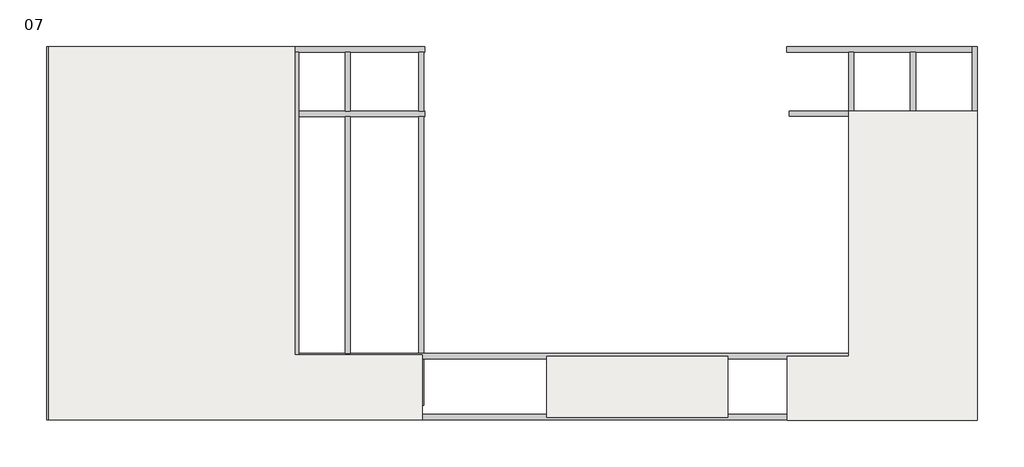
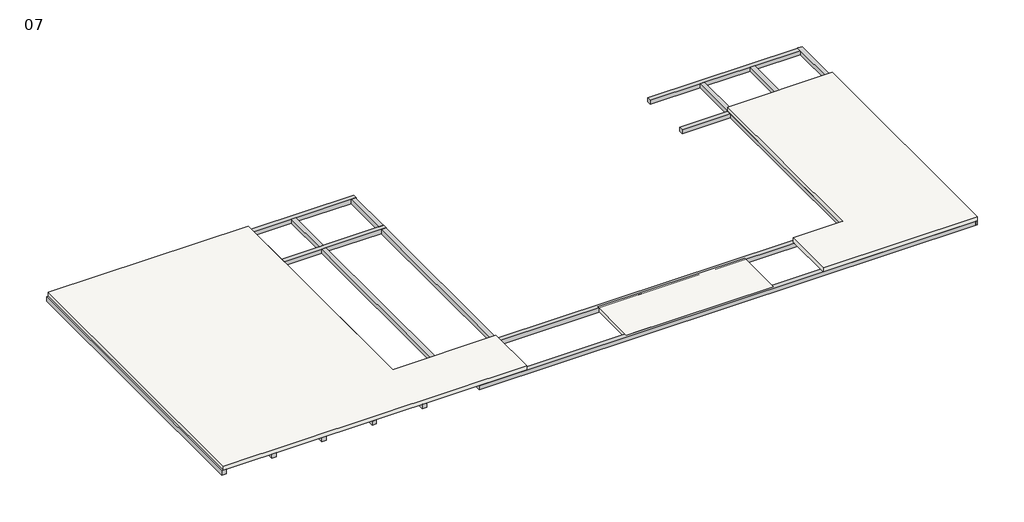
# One storey: 16 beams, 2 roofs, 1 slab.
"""IFC4 building model written with IfcOpenShell, lengths in millimetres."""

import ifcopenshell
import ifcopenshell.guid

model = None  # the IFC model being written
_history = None  # IfcOwnerHistory: only IFC2X3 demands one
_inside = {}  # id of a spatial element -> (the spatial element, [elements in it])
_under = {}  # id of a project, library or spatial element -> (it, [spatial elements below it])
_declared = {}  # id of a project -> (the project, [libraries it declares])
_typed = {}  # id of a type object -> (the type object, [elements of that type])
_made_of = {}  # id of a material, layer set ... -> (it, [elements and type objects made of it])


def new_model(schema):
    """Start an empty IFC model of exactly this schema.

    Asked for "IFC4X3", IfcOpenShell would pick the latest addendum, in which some entities
    have other attributes; the version numbers below select the first issue.
    IFC2X3 requires an IfcOwnerHistory on every rooted entity: one is made here for all.
    """
    global model, _history
    if schema == "IFC4X3":
        model = ifcopenshell.file(schema_version=(4, 3, 0, 0))
    else:
        model = ifcopenshell.file(schema=schema)
    _inside.clear()
    _under.clear()
    _declared.clear()
    _typed.clear()
    _made_of.clear()
    _history = None
    if model.schema == "IFC2X3":
        org = make("IfcOrganization", Name="unknown")
        user = make(
            "IfcPersonAndOrganization",
            ThePerson=make("IfcPerson", FamilyName="unknown"),
            TheOrganization=org,
        )
        app = make(
            "IfcApplication",
            ApplicationDeveloper=org,
            Version="unknown",
            ApplicationFullName="unknown",
            ApplicationIdentifier="unknown",
        )
        _history = make(
            "IfcOwnerHistory",
            OwningUser=user,
            OwningApplication=app,
            ChangeAction="ADDED",
            CreationDate=0,
        )
    return model


def make(cls, **values):
    """One entity of the class cls with the attributes given. An attribute that is None is left unset."""
    return model.create_entity(
        cls, **{name: value for name, value in values.items() if value is not None}
    )


def rooted(cls, **values):
    """An entity with a GlobalId (a new one), such as an element, a storey or a relation."""
    return make(cls, GlobalId=ifcopenshell.guid.new(), OwnerHistory=_history, **values)


def si_unit(unit_type, name, prefix=None):
    """IfcSIUnit, for example si_unit("LENGTHUNIT", "METRE", prefix="MILLI")."""
    return make("IfcSIUnit", UnitType=unit_type, Prefix=prefix, Name=name)


def assignment(units):
    """IfcUnitAssignment: the units of a project."""
    return None if units is None else make("IfcUnitAssignment", Units=units)


def point(xyz):
    """IfcCartesianPoint."""
    return None if xyz is None else make("IfcCartesianPoint", Coordinates=xyz)


def direction(xyz):
    """IfcDirection."""
    return None if xyz is None else make("IfcDirection", DirectionRatios=xyz)


def frame(location, z_axis=None, x_axis=None):
    """IfcAxis2Placement3D, a coordinate frame: its origin and axes. An axis left out is left unset."""
    return make(
        "IfcAxis2Placement3D",
        Location=point(location),
        Axis=direction(z_axis),
        RefDirection=direction(x_axis),
    )


def origin():
    """The frame at (0, 0, 0) with its axes left unset."""
    return frame((0.0, 0.0, 0.0))


def place(relative_to, where):
    """IfcLocalPlacement: puts the frame where relative to a parent placement (None: the world)."""
    return make(
        "IfcLocalPlacement", PlacementRelTo=relative_to, RelativePlacement=where
    )


def context(
    kind, dimensions, precision=None, world=None, true_north=None, identifier=None
):
    """IfcGeometricRepresentationContext, for example the 3D "Model" context."""
    return make(
        "IfcGeometricRepresentationContext",
        ContextIdentifier=identifier,
        ContextType=kind,
        CoordinateSpaceDimension=dimensions,
        Precision=precision,
        WorldCoordinateSystem=world,
        TrueNorth=true_north,
    )


def project(units=None, contexts=None):
    """IfcProject with its units and contexts."""
    return rooted(
        "IfcProject",
        Name="project",
        RepresentationContexts=contexts,
        UnitsInContext=assignment(units),
    )


def spatial(cls, under=None, at=None, **own):
    """A site, building, storey or space (cls), placed at a placement, below another one or the project."""
    s = rooted(cls, ObjectPlacement=at, **own)
    if under is not None:
        _under.setdefault(under.id(), (under, []))[1].append(s)
    return s


def polyline(points):
    """IfcPolyline through the points."""
    return make("IfcPolyline", Points=[point(p) for p in points])


def outline(outer, holes=None, kind="AREA"):
    """IfcArbitraryClosedProfileDef: a profile drawn as a closed curve; with holes, ...WithVoids."""
    if holes is None:
        return make("IfcArbitraryClosedProfileDef", ProfileType=kind, OuterCurve=outer)
    return make(
        "IfcArbitraryProfileDefWithVoids",
        ProfileType=kind,
        OuterCurve=outer,
        InnerCurves=holes,
    )


def extrude(swept, where, along, depth):
    """IfcExtrudedAreaSolid: the profile swept, set in the frame where, extruded along a direction by depth."""
    return make(
        "IfcExtrudedAreaSolid",
        SweptArea=swept,
        Position=where,
        ExtrudedDirection=direction(along),
        Depth=depth,
    )


def faces_of(points, faces, orient=None, outer=None):
    """IfcFace entities. A face is a list of loops; a loop is a list of indices into points, from 0.

    orient and outer hold one flag for each loop. By default every Orientation is true, the
    first loop of a face is its IfcFaceOuterBound and the others are IfcFaceBound.
    """
    made = []
    for i, loops in enumerate(faces):
        bounds = []
        for j, loop in enumerate(loops):
            is_outer = j == 0 if outer is None else outer[i][j]
            bounds.append(
                make(
                    "IfcFaceOuterBound" if is_outer else "IfcFaceBound",
                    Bound=make("IfcPolyLoop", Polygon=[points[k] for k in loop]),
                    Orientation=True if orient is None else orient[i][j],
                )
            )
        made.append(make("IfcFace", Bounds=bounds))
    return made


def faceted_brep(points, faces, orient=None, outer=None, voids=None):
    """IfcFacetedBrep: a solid bounded by flat faces; with voids (closed shells), ...WithVoids."""
    shared = [point(p) for p in points]
    hull = make("IfcClosedShell", CfsFaces=faces_of(shared, faces, orient, outer))
    if voids is None:
        return make("IfcFacetedBrep", Outer=hull)
    return make(
        "IfcFacetedBrepWithVoids",
        Outer=hull,
        Voids=[
            make(cls, CfsFaces=faces_of(shared, fs, o, b)) for cls, fs, o, b in voids
        ],
    )


def shape(context_of_items, identifier, shape_type, items):
    """IfcShapeRepresentation: the items that make up one representation, for example the "Body"."""
    return make(
        "IfcShapeRepresentation",
        ContextOfItems=context_of_items,
        RepresentationIdentifier=identifier,
        RepresentationType=shape_type,
        Items=items,
    )


def made_of(thing, what):
    """Note that an element or type object is made of a material, layer set ...; save() writes the relation."""
    if what is not None:
        _made_of.setdefault(what.id(), (what, []))[1].append(thing)
    return thing


def element(
    cls,
    number,
    at=None,
    inside=None,
    cuts=None,
    type_object=None,
    material=None,
    context=None,
    identifier="Body",
    shape_type=None,
    held_by="IfcProductDefinitionShape",
    body=None,
    shapes=None,
    **own,
):
    """One element of the class cls, such as IfcWall. Its Tag is "e" and its number.

    at: its placement. inside: the storey or other place that contains it. cuts: it is an
    opening in that element (IfcRelVoidsElement). A single representation is given by context,
    identifier, shape_type and body (its items); several are given by shapes. held_by: the class
    of the entity that holds the representations. save() writes the other relations.
    """
    e = rooted(cls, Tag="e%d" % number, ObjectPlacement=at, **own)
    if body is not None:
        shapes = [shape(context, identifier, shape_type, body)]
    if shapes is not None:
        e.Representation = make(held_by, Representations=shapes)
    if inside is not None:
        _inside.setdefault(inside.id(), (inside, []))[1].append(e)
    if cuts is not None:
        rooted(
            "IfcRelVoidsElement", RelatingBuildingElement=cuts, RelatedOpeningElement=e
        )
    if type_object is not None:
        _typed.setdefault(type_object.id(), (type_object, []))[1].append(e)
    return made_of(e, material)


def aggregate(whole, parts):
    """IfcRelAggregates: a whole, such as a stair, and the parts it consists of."""
    return rooted("IfcRelAggregates", RelatingObject=whole, RelatedObjects=parts)


def save(model, path):
    """Write the relations noted so far, then the file.

    IfcRelAggregates (storeys below a building ...), IfcRelContainedInSpatialStructure (elements
    in a storey), IfcRelDefinesByType, IfcRelAssociatesMaterial and IfcRelDeclares: one each for
    every whole, place, type object, material and project.
    """
    for whole, parts in _under.values():
        aggregate(whole, parts)
    for where, things in _inside.values():
        rooted(
            "IfcRelContainedInSpatialStructure",
            RelatedElements=things,
            RelatingStructure=where,
        )
    for kind, things in _typed.values():
        rooted("IfcRelDefinesByType", RelatedObjects=things, RelatingType=kind)
    for what, things in _made_of.values():
        rooted("IfcRelAssociatesMaterial", RelatedObjects=things, RelatingMaterial=what)
    for by, libraries in _declared.values():
        rooted("IfcRelDeclares", RelatingContext=by, RelatedDefinitions=libraries)
    model.write(path)


model = new_model("IFC4")

# Units and contexts
model_context = context("Model", 3, world=origin())
ifc_project = project(units=[si_unit("LENGTHUNIT", "METRE", prefix="MILLI")], contexts=[model_context])

# Site, building, storey
site = spatial("IfcSite", under=ifc_project)
building = spatial("IfcBuilding", under=site)
storey = spatial("IfcBuildingStorey", under=building, Name="07", Elevation=14038.0)

# Beams
placement = place(None, origin())
element("IfcBeam", 1, ObjectType="M_Concrete-Rectangular Beam : 300 x300m 2", at=placement, inside=storey, context=model_context, shape_type="Brep", body=[
    faceted_brep([(-35388.3575031, -11130.4794184, 14038.0), (-35688.3575031, -11130.4794184, 14038.0), (-35688.3575031, -11130.4794184, 13738.0), (-35388.3575031, -11130.4794184, 13738.0), (-35388.3575031, -7715.0524689, 14038.0), (-35388.3575031, -7415.0524689, 14038.0), (-35388.3575031, 9414.5205816, 14038.0), (-35388.3575031, 9714.5205816, 14038.0), (-35688.3575031, 9714.5205816, 14038.0), (-35688.3575031, 9714.5205816, 13738.0), (-35388.3575031, 9714.5205816, 13738.0), (-35388.3575031, 9414.5205816, 13738.0), (-35388.3575031, -7415.0524689, 13738.0), (-35388.3575031, -7715.0524689, 13738.0)], [[[0, 1, 2, 3]], [[1, 0, 4, 5, 6, 7, 8]], [[2, 1, 8, 9]], [[3, 2, 9, 10, 11, 12, 13]], [[0, 3, 13, 12, 11, 10, 7, 6, 5, 4]], [[8, 7, 10, 9]]]),
])
element("IfcBeam", 2, ObjectType="M_Concrete-Rectangular Beam : 300 x300m 2", at=placement, inside=storey, context=model_context, shape_type="Brep", body=[
    faceted_brep([(-31943.3575031, -11130.4794184, 14038.0), (-32243.3575031, -11130.4794184, 14038.0), (-32243.3575031, -11130.4794184, 13738.0), (-31943.3575031, -11130.4794184, 13738.0), (-31943.3575031, -7715.0524689, 14038.0), (-31943.3575031, -7415.0524689, 14038.0), (-31943.3575031, 9414.5205816, 14038.0), (-32243.3575031, 9414.5205816, 14038.0), (-32243.3575031, -7415.0524689, 14038.0), (-32243.3575031, -7715.0524689, 14038.0), (-32243.3575031, 9414.5205816, 13738.0), (-32243.3575031, -7415.0524689, 13738.0), (-32243.3575031, -7715.0524689, 13738.0), (-31943.3575031, 9414.5205816, 13738.0), (-31943.3575031, -7415.0524689, 13738.0), (-31943.3575031, -7715.0524689, 13738.0)], [[[0, 1, 2, 3]], [[1, 0, 4, 5, 6, 7, 8, 9]], [[2, 1, 9, 8, 7, 10, 11, 12]], [[3, 2, 12, 11, 10, 13, 14, 15]], [[0, 3, 15, 14, 13, 6, 5, 4]], [[7, 6, 13, 10]]]),
])
element("IfcBeam", 3, ObjectType="M_Concrete-Rectangular Beam : 300 x300m 2", at=placement, inside=storey, context=model_context, shape_type="Brep", body=[
    faceted_brep([(-28498.3575031, -11130.4794184, 14038.0), (-28798.3575031, -11130.4794184, 14038.0), (-28798.3575031, -11130.4794184, 13738.0), (-28498.3575031, -11130.4794184, 13738.0), (-28498.3575031, -7715.0524689, 14038.0), (-28498.3575031, -7415.0524689, 14038.0), (-28498.3575031, 9414.5205816, 14038.0), (-28798.3575031, 9414.5205816, 14038.0), (-28798.3575031, -7415.0524689, 14038.0), (-28798.3575031, -7715.0524689, 14038.0), (-28798.3575031, 9414.5205816, 13738.0), (-28798.3575031, -7415.0524689, 13738.0), (-28798.3575031, -7715.0524689, 13738.0), (-28498.3575031, 9414.5205816, 13738.0), (-28498.3575031, -7415.0524689, 13738.0), (-28498.3575031, -7715.0524689, 13738.0)], [[[0, 1, 2, 3]], [[1, 0, 4, 5, 6, 7, 8, 9]], [[2, 1, 9, 8, 7, 10, 11, 12]], [[3, 2, 12, 11, 10, 13, 14, 15]], [[0, 3, 15, 14, 13, 6, 5, 4]], [[7, 6, 13, 10]]]),
])
element("IfcBeam", 4, ObjectType="M_Concrete-Rectangular Beam : 300 x300m 2", at=placement, inside=storey, context=model_context, shape_type="Brep", body=[
    faceted_brep([(-25053.3575031, -11130.4794184, 14038.0), (-25353.3575031, -11130.4794184, 14038.0), (-25353.3575031, -11130.4794184, 13738.0), (-25053.3575031, -11130.4794184, 13738.0), (-25053.3575031, -7715.0524689, 14038.0), (-25053.3575031, -7415.0524689, 14038.0), (-25053.3575031, 9414.5205816, 14038.0), (-25353.3575031, 9414.5205816, 14038.0), (-25353.3575031, -7415.0524689, 14038.0), (-25353.3575031, -7715.0524689, 14038.0), (-25353.3575031, 9414.5205816, 13738.0), (-25353.3575031, -7415.0524689, 13738.0), (-25353.3575031, -7715.0524689, 13738.0), (-25053.3575031, 9414.5205816, 13738.0), (-25053.3575031, -7415.0524689, 13738.0), (-25053.3575031, -7715.0524689, 13738.0)], [[[0, 1, 2, 3]], [[1, 0, 4, 5, 6, 7, 8, 9]], [[2, 1, 9, 8, 7, 10, 11, 12]], [[3, 2, 12, 11, 10, 13, 14, 15]], [[0, 3, 15, 14, 13, 6, 5, 4]], [[7, 6, 13, 10]]]),
])
element("IfcBeam", 5, ObjectType="M_Concrete-Rectangular Beam : 300 x300m 2", at=placement, inside=storey, context=model_context, shape_type="Brep", body=[
    faceted_brep([(-21608.3575031, -11130.4794184, 14038.0), (-21908.3575031, -11130.4794184, 14038.0), (-21908.3575031, -11130.4794184, 13738.0), (-21608.3575031, -11130.4794184, 13738.0), (-21608.3575031, -7715.0524689, 14038.0), (-21608.3575031, -7415.0524689, 14038.0), (-21608.3575031, 5814.5205816, 14038.0), (-21608.3575031, 6114.5205816, 14038.0), (-21608.3575031, 9414.5205816, 14038.0), (-21908.3575031, 9414.5205816, 14038.0), (-21908.3575031, -7415.0524689, 14038.0), (-21908.3575031, -7715.0524689, 14038.0), (-21908.3575031, 9414.5205816, 13738.0), (-21908.3575031, -7415.0524689, 13738.0), (-21908.3575031, -7715.0524689, 13738.0), (-21608.3575031, 9414.5205816, 13738.0), (-21608.3575031, 6114.5205816, 13738.0), (-21608.3575031, 5814.5205816, 13738.0), (-21608.3575031, -7415.0524689, 13738.0), (-21608.3575031, -7715.0524689, 13738.0)], [[[0, 1, 2, 3]], [[1, 0, 4, 5, 6, 7, 8, 9, 10, 11]], [[2, 1, 11, 10, 9, 12, 13, 14]], [[3, 2, 14, 13, 12, 15, 16, 17, 18, 19]], [[0, 3, 19, 18, 17, 16, 15, 8, 7, 6, 5, 4]], [[9, 8, 15, 12]]]),
])
element("IfcBeam", 6, ObjectType="M_Concrete-Rectangular Beam : 300 x300m 2", at=placement, inside=storey, context=model_context, shape_type="Brep", body=[
    faceted_brep([(-35388.3575031, -7415.0524689, 14038.0), (-35388.3575031, -7715.0524689, 14038.0), (-32243.3575031, -7715.0524689, 14038.0), (-32243.3575031, -7415.0524689, 14038.0), (-35388.3575031, -7715.0524689, 13738.0), (-32243.3575031, -7715.0524689, 13738.0), (-35388.3575031, -7415.0524689, 13738.0), (-32243.3575031, -7415.0524689, 13738.0)], [[[0, 1, 2, 3]], [[1, 4, 5, 2]], [[4, 6, 7, 5]], [[6, 0, 3, 7]], [[1, 0, 6, 4]], [[3, 2, 5, 7]]]),
    faceted_brep([(15937.0317507, -7415.0524689, 14038.0), (15937.0317507, -7715.0524689, 14038.0), (15937.0317507, -7715.0524689, 13738.0), (15937.0317507, -7415.0524689, 13738.0), (12792.0317507, -7415.0524689, 14038.0), (12492.0317507, -7415.0524689, 14038.0), (9347.0317504, -7415.0524689, 14038.0), (9047.0317504, -7415.0524689, 14038.0), (-14637.9347708, -7415.0524689, 14038.0), (-14937.9347708, -7415.0524689, 14038.0), (-18737.9347708, -7415.0524689, 14038.0), (-19037.9347708, -7415.0524689, 14038.0), (-21608.3575031, -7415.0524689, 14038.0), (-21608.3575031, -7715.0524689, 14038.0), (-19037.9347708, -7715.0524689, 14038.0), (-18737.9347708, -7715.0524689, 14038.0), (-14937.9347708, -7715.0524689, 14038.0), (-14637.9347708, -7715.0524689, 14038.0), (9047.0317504, -7715.0524689, 14038.0), (9347.0317504, -7715.0524689, 14038.0), (12492.0317507, -7715.0524689, 14038.0), (12792.0317507, -7715.0524689, 14038.0), (-21608.3575031, -7715.0524689, 13738.0), (-19037.9347708, -7715.0524689, 13738.0), (-18737.9347708, -7715.0524689, 13738.0), (-14937.9347708, -7715.0524689, 13738.0), (-14637.9347708, -7715.0524689, 13738.0), (9047.0317504, -7715.0524689, 13738.0), (9347.0317504, -7715.0524689, 13738.0), (12492.0317507, -7715.0524689, 13738.0), (12792.0317507, -7715.0524689, 13738.0), (-21608.3575031, -7415.0524689, 13738.0), (-19037.9347708, -7415.0524689, 13738.0), (-18737.9347708, -7415.0524689, 13738.0), (-14937.9347708, -7415.0524689, 13738.0), (-14637.9347708, -7415.0524689, 13738.0), (9047.0317504, -7415.0524689, 13738.0), (9347.0317504, -7415.0524689, 13738.0), (12492.0317507, -7415.0524689, 13738.0), (12792.0317507, -7415.0524689, 13738.0)], [[[0, 1, 2, 3]], [[1, 0, 4, 5, 6, 7, 8, 9, 10, 11, 12, 13, 14, 15, 16, 17, 18, 19, 20, 21]], [[2, 1, 21, 20, 19, 18, 17, 16, 15, 14, 13, 22, 23, 24, 25, 26, 27, 28, 29, 30]], [[3, 2, 30, 29, 28, 27, 26, 25, 24, 23, 22, 31, 32, 33, 34, 35, 36, 37, 38, 39]], [[0, 3, 39, 38, 37, 36, 35, 34, 33, 32, 31, 12, 11, 10, 9, 8, 7, 6, 5, 4]], [[13, 12, 31, 22]]]),
    faceted_brep([(-31943.3575031, -7715.0524689, 14038.0), (-31943.3575031, -7415.0524689, 14038.0), (-31943.3575031, -7415.0524689, 13738.0), (-31943.3575031, -7715.0524689, 13738.0), (-28798.3575031, -7415.0524689, 14038.0), (-28798.3575031, -7715.0524689, 14038.0), (-28798.3575031, -7715.0524689, 13738.0), (-28798.3575031, -7415.0524689, 13738.0)], [[[0, 1, 2, 3]], [[4, 5, 6, 7]], [[1, 0, 5, 4]], [[0, 3, 6, 5]], [[3, 2, 7, 6]], [[2, 1, 4, 7]]]),
    faceted_brep([(-28498.3575031, -7415.0524689, 14038.0), (-28498.3575031, -7715.0524689, 14038.0), (-25353.3575031, -7715.0524689, 14038.0), (-25353.3575031, -7415.0524689, 14038.0), (-28498.3575031, -7715.0524689, 13738.0), (-25353.3575031, -7715.0524689, 13738.0), (-28498.3575031, -7415.0524689, 13738.0), (-25353.3575031, -7415.0524689, 13738.0)], [[[0, 1, 2, 3]], [[1, 4, 5, 2]], [[4, 6, 7, 5]], [[6, 0, 3, 7]], [[1, 0, 6, 4]], [[3, 2, 5, 7]]]),
    faceted_brep([(-25053.3575031, -7715.0524689, 14038.0), (-25053.3575031, -7415.0524689, 14038.0), (-25053.3575031, -7415.0524689, 13738.0), (-25053.3575031, -7715.0524689, 13738.0), (-21908.3575031, -7415.0524689, 14038.0), (-21908.3575031, -7715.0524689, 14038.0), (-21908.3575031, -7715.0524689, 13738.0), (-21908.3575031, -7415.0524689, 13738.0)], [[[0, 1, 2, 3]], [[4, 5, 6, 7]], [[1, 0, 5, 4]], [[0, 3, 6, 5]], [[3, 2, 7, 6]], [[2, 1, 4, 7]]]),
])
element("IfcBeam", 7, ObjectType="M_Concrete-Rectangular Beam : 300 x300m 2", at=placement, inside=storey, context=model_context, shape_type="Brep", body=[
    faceted_brep([(16112.0652292, -10825.0524689, 14038.0), (16112.0652292, -11125.0524689, 14038.0), (16112.0652292, -11125.0524689, 13738.0), (16112.0652292, -10825.0524689, 13738.0), (-17987.9347708, -10825.0524689, 14038.0), (-17987.9347708, -10825.0524689, 13738.0), (-17987.9347708, -11125.0524689, 13738.0), (-17987.9347708, -11125.0524689, 14038.0), (15937.0317507, -10825.0524689, 14038.0), (12792.0317507, -10825.0524689, 14038.0), (12492.0317507, -10825.0524689, 14038.0), (9347.0317504, -10825.0524689, 14038.0), (9047.0317504, -10825.0524689, 14038.0), (9047.0317504, -10825.0524689, 13738.0), (9347.0317504, -10825.0524689, 13738.0), (12492.0317507, -10825.0524689, 13738.0), (12792.0317507, -10825.0524689, 13738.0), (15937.0317507, -10825.0524689, 13738.0)], [[[0, 1, 2, 3]], [[4, 5, 6, 7]], [[1, 0, 8, 9, 10, 11, 12, 4, 7]], [[2, 1, 7, 6]], [[3, 2, 6, 5, 13, 14, 15, 16, 17]], [[0, 3, 17, 16, 15, 14, 13, 5, 4, 12, 11, 10, 9, 8]]]),
])
element("IfcBeam", 8, ObjectType="M_Concrete-Rectangular Beam : 300 x300m 2", at=placement, inside=storey, context=model_context, shape_type="Brep", body=[
    faceted_brep([(16237.0317507, 9724.9475311, 14038.0), (16237.0317507, 9724.9475311, 13738.0), (15937.0317507, 9724.9475311, 13738.0), (15937.0317507, 9724.9475311, 14038.0), (15937.0317507, 9714.5205816, 14038.0), (15937.0317507, 9414.5205816, 14038.0), (15937.0317507, 6124.7971305, 14038.0), (15937.0317507, 5824.7971305, 14038.0), (15937.0317507, -7415.0524689, 14038.0), (15937.0317507, -7715.0524689, 14038.0), (15937.0317507, -10825.0524689, 14038.0), (16112.0652292, -10825.0524689, 14038.0), (16112.0652292, -11125.0524689, 14038.0), (16237.0317507, -11125.0524689, 14038.0), (16237.0317507, 5824.7971305, 14038.0), (16237.0317507, 6124.7971305, 14038.0), (15937.0317507, 9714.5205816, 13738.0), (15937.0317507, 9414.5205816, 13738.0), (15937.0317507, 6124.7971305, 13738.0), (15937.0317507, 5824.7971305, 13738.0), (15937.0317507, -7415.0524689, 13738.0), (15937.0317507, -7715.0524689, 13738.0), (15937.0317507, -10825.0524689, 13738.0), (16237.0317507, 6124.7971305, 13738.0), (16237.0317507, 5824.7971305, 13738.0), (16237.0317507, -11125.0524689, 13738.0), (16112.0652292, -11125.0524689, 13738.0), (16112.0652292, -10825.0524689, 13738.0)], [[[0, 1, 2, 3]], [[0, 3, 4, 5, 6, 7, 8, 9, 10, 11, 12, 13, 14, 15]], [[3, 2, 16, 17, 18, 19, 20, 21, 22, 10, 9, 8, 7, 6, 5, 4]], [[2, 1, 23, 24, 25, 26, 27, 22, 21, 20, 19, 18, 17, 16]], [[1, 0, 15, 14, 13, 25, 24, 23]], [[25, 13, 12, 26]], [[27, 11, 10, 22]], [[11, 27, 26, 12]]]),
])
element("IfcBeam", 9, ObjectType="M_Concrete-Rectangular Beam : 300 x300m 2", at=placement, inside=storey, context=model_context, shape_type="Brep", body=[
    faceted_brep([(12492.0317507, -7415.0524689, 14038.0), (12792.0317507, -7415.0524689, 14038.0), (12792.0317507, 5824.7971305, 14038.0), (12792.0317507, 6124.7971305, 14038.0), (12792.0317507, 9414.5205816, 14038.0), (12492.0317507, 9414.5205816, 14038.0), (12492.0317507, 6124.7971305, 14038.0), (12492.0317507, 5824.7971305, 14038.0), (12492.0317507, -7415.0524689, 13738.0), (12492.0317507, 9414.5205816, 13738.0), (12492.0317507, 6124.7971305, 13738.0), (12492.0317507, 5824.7971305, 13738.0), (12792.0317507, -7415.0524689, 13738.0), (12792.0317507, 9414.5205816, 13738.0), (12792.0317507, 6124.7971305, 13738.0), (12792.0317507, 5824.7971305, 13738.0)], [[[0, 1, 2, 3, 4, 5, 6, 7]], [[8, 0, 7, 6, 5, 9, 10, 11]], [[12, 8, 11, 10, 9, 13, 14, 15]], [[1, 12, 15, 14, 13, 4, 3, 2]], [[1, 0, 8, 12]], [[5, 4, 13, 9]]]),
    faceted_brep([(12492.0317507, -7715.0524689, 14038.0), (12792.0317507, -7715.0524689, 14038.0), (12792.0317507, -7715.0524689, 13738.0), (12492.0317507, -7715.0524689, 13738.0), (12492.0317507, -10825.0524689, 14038.0), (12792.0317507, -10825.0524689, 14038.0), (12492.0317507, -10825.0524689, 13738.0), (12792.0317507, -10825.0524689, 13738.0)], [[[0, 1, 2, 3]], [[1, 0, 4, 5]], [[0, 3, 6, 4]], [[3, 2, 7, 6]], [[2, 1, 5, 7]], [[5, 4, 6, 7]]]),
])
element("IfcBeam", 10, ObjectType="M_Concrete-Rectangular Beam : 300 x300m 2", at=placement, inside=storey, context=model_context, shape_type="Brep", body=[
    faceted_brep([(5611.1994756, 9714.5205816, 14038.0), (5611.1994756, 9714.5205816, 13738.0), (5611.1994756, 9414.5205816, 13738.0), (5611.1994756, 9414.5205816, 14038.0), (9047.0317504, 9414.5205816, 14038.0), (9347.0317504, 9414.5205816, 14038.0), (12492.0317507, 9414.5205816, 14038.0), (12792.0317507, 9414.5205816, 14038.0), (15937.0317507, 9414.5205816, 14038.0), (15937.0317507, 9714.5205816, 14038.0), (9047.0317504, 9414.5205816, 13738.0), (9347.0317504, 9414.5205816, 13738.0), (12492.0317507, 9414.5205816, 13738.0), (12792.0317507, 9414.5205816, 13738.0), (15937.0317507, 9414.5205816, 13738.0), (15937.0317507, 9714.5205816, 13738.0)], [[[0, 1, 2, 3]], [[0, 3, 4, 5, 6, 7, 8, 9]], [[3, 2, 10, 11, 12, 13, 14, 8, 7, 6, 5, 4]], [[2, 1, 15, 14, 13, 12, 11, 10]], [[1, 0, 9, 15]], [[9, 8, 14, 15]]]),
])
element("IfcBeam", 11, ObjectType="M_Concrete-Rectangular Beam : 300 x300m 2", at=placement, inside=storey, context=model_context, shape_type="Brep", body=[
    faceted_brep([(9347.0317504, 9414.5205816, 14038.0), (9047.0317504, 9414.5205816, 14038.0), (9047.0317504, 6124.7971305, 14038.0), (9047.0317504, 5824.7971305, 14038.0), (9047.0317504, -7415.0524689, 14038.0), (9347.0317504, -7415.0524689, 14038.0), (9347.0317504, 5824.7971305, 14038.0), (9347.0317504, 6124.7971305, 14038.0), (9047.0317504, 9414.5205816, 13738.0), (9047.0317504, 6124.7971305, 13738.0), (9047.0317504, 5824.7971305, 13738.0), (9047.0317504, -7415.0524689, 13738.0), (9347.0317504, 9414.5205816, 13738.0), (9347.0317504, 6124.7971305, 13738.0), (9347.0317504, 5824.7971305, 13738.0), (9347.0317504, -7415.0524689, 13738.0)], [[[0, 1, 2, 3, 4, 5, 6, 7]], [[1, 8, 9, 10, 11, 4, 3, 2]], [[8, 12, 13, 14, 15, 11, 10, 9]], [[12, 0, 7, 6, 5, 15, 14, 13]], [[1, 0, 12, 8]], [[5, 4, 11, 15]]]),
    faceted_brep([(9347.0317504, -10825.0524689, 14038.0), (9047.0317504, -10825.0524689, 14038.0), (9047.0317504, -10825.0524689, 13738.0), (9347.0317504, -10825.0524689, 13738.0), (9047.0317504, -7715.0524689, 14038.0), (9347.0317504, -7715.0524689, 14038.0), (9347.0317504, -7715.0524689, 13738.0), (9047.0317504, -7715.0524689, 13738.0)], [[[0, 1, 2, 3]], [[4, 5, 6, 7]], [[1, 0, 5, 4]], [[2, 1, 4, 7]], [[3, 2, 7, 6]], [[0, 3, 6, 5]]]),
])
element("IfcBeam", 12, ObjectType="M_Concrete-Rectangular Beam : 300 x300m 2", at=placement, inside=storey, context=model_context, shape_type="SweptSolid", body=[
    extrude(outline(polyline([(16240.3276134, 6124.7971305), (16240.3276134, 5824.7971305), (16237.0317507, 5824.7971305), (16237.0317507, 6124.7971305), (16240.3276134, 6124.7971305)])), frame((0.0, 0.0, 13738.0), z_axis=(0.0, 0.0, 1.0), x_axis=(1.0, 0.0, 0.0)), (0.0, 0.0, 1.0), 300.0),
    extrude(outline(polyline([(5740.3276134, 5824.7971305), (5740.3276134, 6124.7971305), (9047.0317504, 6124.7971305), (9047.0317504, 5824.7971305), (5740.3276134, 5824.7971305)])), frame((0.0, 0.0, 13738.0), z_axis=(0.0, 0.0, 1.0), x_axis=(1.0, 0.0, 0.0)), (0.0, 0.0, 1.0), 300.0),
    extrude(outline(polyline([(15937.0317507, 6124.7971305), (15937.0317507, 5824.7971305), (12792.0317507, 5824.7971305), (12792.0317507, 6124.7971305), (15937.0317507, 6124.7971305)])), frame((0.0, 0.0, 13738.0), z_axis=(0.0, 0.0, 1.0), x_axis=(1.0, 0.0, 0.0)), (0.0, 0.0, 1.0), 300.0),
    extrude(outline(polyline([(12492.0317507, 6124.7971305), (12492.0317507, 5824.7971305), (9347.0317504, 5824.7971305), (9347.0317504, 6124.7971305), (12492.0317507, 6124.7971305)])), frame((0.0, 0.0, 13738.0), z_axis=(0.0, 0.0, 1.0), x_axis=(1.0, 0.0, 0.0)), (0.0, 0.0, 1.0), 300.0),
])
element("IfcBeam", 13, ObjectType="M_Concrete-Rectangular Beam : 300 x300m 2", at=placement, inside=storey, context=model_context, shape_type="Brep", body=[
    faceted_brep([(-14588.8005244, 9714.5205816, 14038.0), (-14588.8005244, 9414.5205816, 14038.0), (-14588.8005244, 9414.5205816, 13738.0), (-14588.8005244, 9714.5205816, 13738.0), (-35388.3575031, 9714.5205816, 14038.0), (-35388.3575031, 9414.5205816, 14038.0), (-32243.3575031, 9414.5205816, 14038.0), (-31943.3575031, 9414.5205816, 14038.0), (-28798.3575031, 9414.5205816, 14038.0), (-28498.3575031, 9414.5205816, 14038.0), (-25353.3575031, 9414.5205816, 14038.0), (-25053.3575031, 9414.5205816, 14038.0), (-21908.3575031, 9414.5205816, 14038.0), (-21608.3575031, 9414.5205816, 14038.0), (-19037.9347708, 9414.5205816, 14038.0), (-18737.9347708, 9414.5205816, 14038.0), (-14937.9347708, 9414.5205816, 14038.0), (-14637.9347708, 9414.5205816, 14038.0), (-35388.3575031, 9414.5205816, 13738.0), (-32243.3575031, 9414.5205816, 13738.0), (-31943.3575031, 9414.5205816, 13738.0), (-28798.3575031, 9414.5205816, 13738.0), (-28498.3575031, 9414.5205816, 13738.0), (-25353.3575031, 9414.5205816, 13738.0), (-25053.3575031, 9414.5205816, 13738.0), (-21908.3575031, 9414.5205816, 13738.0), (-21608.3575031, 9414.5205816, 13738.0), (-19037.9347708, 9414.5205816, 13738.0), (-18737.9347708, 9414.5205816, 13738.0), (-14937.9347708, 9414.5205816, 13738.0), (-14637.9347708, 9414.5205816, 13738.0), (-35388.3575031, 9714.5205816, 13738.0)], [[[0, 1, 2, 3]], [[1, 0, 4, 5, 6, 7, 8, 9, 10, 11, 12, 13, 14, 15, 16, 17]], [[2, 1, 17, 16, 15, 14, 13, 12, 11, 10, 9, 8, 7, 6, 5, 18, 19, 20, 21, 22, 23, 24, 25, 26, 27, 28, 29, 30]], [[3, 2, 30, 29, 28, 27, 26, 25, 24, 23, 22, 21, 20, 19, 18, 31]], [[0, 3, 31, 4]], [[5, 4, 31, 18]]]),
])
element("IfcBeam", 14, ObjectType="M_Concrete-Rectangular Beam : 300 x300m 2", at=placement, inside=storey, context=model_context, shape_type="Brep", body=[
    faceted_brep([(-14588.8005244, 6114.5205816, 14038.0), (-14588.8005244, 5814.5205816, 14038.0), (-14588.8005244, 5814.5205816, 13738.0), (-14588.8005244, 6114.5205816, 13738.0), (-14637.9347708, 6114.5205816, 14038.0), (-14937.9347708, 6114.5205816, 14038.0), (-18737.9347708, 6114.5205816, 14038.0), (-19037.9347708, 6114.5205816, 14038.0), (-21608.3575031, 6114.5205816, 14038.0), (-21608.3575031, 5814.5205816, 14038.0), (-19037.9347708, 5814.5205816, 14038.0), (-18737.9347708, 5814.5205816, 14038.0), (-14937.9347708, 5814.5205816, 14038.0), (-14637.9347708, 5814.5205816, 14038.0), (-21608.3575031, 5814.5205816, 13738.0), (-19037.9347708, 5814.5205816, 13738.0), (-18737.9347708, 5814.5205816, 13738.0), (-14937.9347708, 5814.5205816, 13738.0), (-14637.9347708, 5814.5205816, 13738.0), (-21608.3575031, 6114.5205816, 13738.0), (-19037.9347708, 6114.5205816, 13738.0), (-18737.9347708, 6114.5205816, 13738.0), (-14937.9347708, 6114.5205816, 13738.0), (-14637.9347708, 6114.5205816, 13738.0)], [[[0, 1, 2, 3]], [[1, 0, 4, 5, 6, 7, 8, 9, 10, 11, 12, 13]], [[2, 1, 13, 12, 11, 10, 9, 14, 15, 16, 17, 18]], [[3, 2, 18, 17, 16, 15, 14, 19, 20, 21, 22, 23]], [[0, 3, 23, 22, 21, 20, 19, 8, 7, 6, 5, 4]], [[9, 8, 19, 14]]]),
])
element("IfcBeam", 15, ObjectType="M_Concrete-Rectangular Beam : 300 x300m 2", at=placement, inside=storey, context=model_context, shape_type="SweptSolid", body=[
    extrude(outline(polyline([(-18737.9347708, -10303.2639032), (-19037.9347708, -10303.2639032), (-19037.9347708, -7715.0524689), (-18737.9347708, -7715.0524689), (-18737.9347708, -10303.2639032)])), frame((0.0, 0.0, 13738.0), z_axis=(0.0, 0.0, 1.0), x_axis=(1.0, 0.0, 0.0)), (0.0, 0.0, 1.0), 300.0),
    extrude(outline(polyline([(-18737.9347708, -7415.0524689), (-19037.9347708, -7415.0524689), (-19037.9347708, 5814.5205816), (-18737.9347708, 5814.5205816), (-18737.9347708, -7415.0524689)])), frame((0.0, 0.0, 13738.0), z_axis=(0.0, 0.0, 1.0), x_axis=(1.0, 0.0, 0.0)), (0.0, 0.0, 1.0), 300.0),
    extrude(outline(polyline([(-19037.9347708, 9414.5205816), (-18737.9347708, 9414.5205816), (-18737.9347708, 6114.5205816), (-19037.9347708, 6114.5205816), (-19037.9347708, 9414.5205816)])), frame((0.0, 0.0, 13738.0), z_axis=(0.0, 0.0, 1.0), x_axis=(1.0, 0.0, 0.0)), (0.0, 0.0, 1.0), 300.0),
])
element("IfcBeam", 16, ObjectType="M_Concrete-Rectangular Beam : 300 x300m 2", at=placement, inside=storey, context=model_context, shape_type="SweptSolid", body=[
    extrude(outline(polyline([(-14637.9347708, -10303.2639032), (-14937.9347708, -10303.2639032), (-14937.9347708, -7715.0524689), (-14637.9347708, -7715.0524689), (-14637.9347708, -10303.2639032)])), frame((0.0, 0.0, 13738.0), z_axis=(0.0, 0.0, 1.0), x_axis=(1.0, 0.0, 0.0)), (0.0, 0.0, 1.0), 300.0),
    extrude(outline(polyline([(-14937.9347708, 9414.5205816), (-14637.9347708, 9414.5205816), (-14637.9347708, 6114.5205816), (-14937.9347708, 6114.5205816), (-14937.9347708, 9414.5205816)])), frame((0.0, 0.0, 13738.0), z_axis=(0.0, 0.0, 1.0), x_axis=(1.0, 0.0, 0.0)), (0.0, 0.0, 1.0), 300.0),
    extrude(outline(polyline([(-14637.9347708, -7415.0524689), (-14937.9347708, -7415.0524689), (-14937.9347708, 5814.5205816), (-14637.9347708, 5814.5205816), (-14637.9347708, -7415.0524689)])), frame((0.0, 0.0, 13738.0), z_axis=(0.0, 0.0, 1.0), x_axis=(1.0, 0.0, 0.0)), (0.0, 0.0, 1.0), 300.0),
])

# Roofs
element("IfcRoof", 17, ObjectType="Generic Roof - 300mm", at=placement, inside=storey, context=model_context, shape_type="SweptSolid", body=[
    extrude(outline(polyline([(-35563.3575031, 9714.5205816), (-21838.3575031, 9714.5205816), (-21838.3575031, -7481.9029838), (-14737.5877657, -7481.9029838), (-14737.5877657, -11129.055853), (-35563.3575031, -11129.055853), (-35563.3575031, 9714.5205816)])), frame((0.0, 0.0, 14038.0), z_axis=(0.0, 0.0, 1.0), x_axis=(1.0, 0.0, 0.0)), (0.0, 0.0, 1.0), 300.0),
])
element("IfcRoof", 18, ObjectType="Generic Roof - 300mm", at=placement, inside=storey, context=model_context, shape_type="SweptSolid", body=[
    extrude(outline(polyline([(16237.0317507, 6124.7971305), (16237.0317507, -11140.4794184), (5627.0317507, -11140.4794184), (5627.0317507, -7576.294775), (9047.0317504, -7576.294775), (9047.0317504, 6124.7971305), (16237.0317507, 6124.7971305)])), frame((0.0, 0.0, 14038.0), z_axis=(0.0, 0.0, 1.0), x_axis=(1.0, 0.0, 0.0)), (0.0, 0.0, 1.0), 300.0),
])

# Slab
element("IfcSlab", 19, ObjectType="Wood Joist 220mm - Wood Finish", at=placement, inside=storey, context=model_context, shape_type="SweptSolid", body=[
    extrude(outline(polyline([(2307.0317504, -7576.294775), (2307.0317504, -10980.4794184), (-7797.8940556, -10980.4794184), (-7797.8940556, -7576.294775), (2307.0317504, -7576.294775)])), frame((0.0, 0.0, 13783.0), z_axis=(0.0, 0.0, 1.0), x_axis=(1.0, 0.0, 0.0)), (0.0, 0.0, 1.0), 255.0),
])

save(model, "model.ifc")
